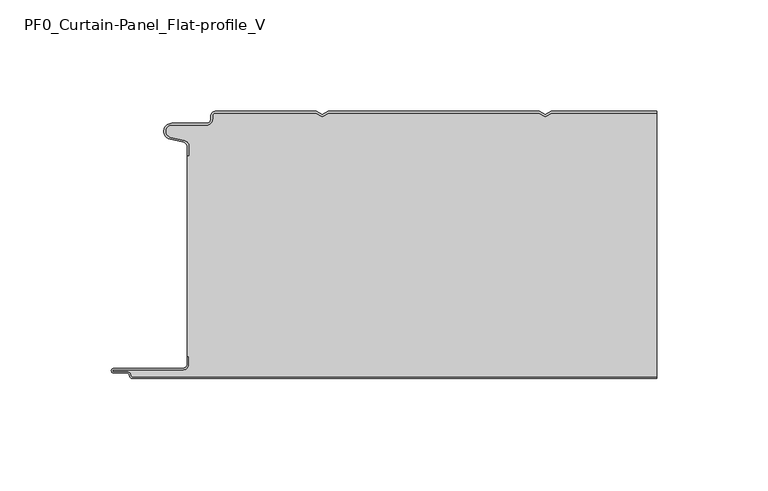
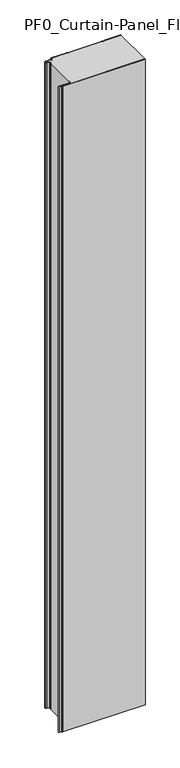
"""IFC4 building model written with IfcOpenShell, lengths in millimetres: plate geometry, PF0_Curtain-Panel_Flat-profile_V."""

from ifc_helpers import new_model, si_unit, point, frame_2d, origin, origin_with_axes, place, context, project, spatial, polyline, circle_curve, trimmed, segment, composite_curve, outline, extrude, source, transform, mapped, element, save


def pf0_curtain_panel_flat_profile_v_c9c8c4ae(model_context):
    return source(origin(), model_context, "Body", "SweptSolid", [
        extrude(outline(composite_curve([segment(trimmed(circle_curve(frame_2d((-102.0119739, -15.878557)), 2.0), [point((-100.0119739, -15.878557))], [point((-101.5620718, -13.9298169))], True, "CARTESIAN"), True, "CONTINUOUS"), segment(polyline([(-101.5620718, -13.9298169), (-107.7217978, -12.507732)]), True, "CONTINUOUS"), segment(trimmed(circle_curve(frame_2d((-106.9119739, -9.0)), 3.6), [point((-107.7217978, -12.507732))], [point((-106.9119739, -5.4))], False, "CARTESIAN"), True, "CONTINUOUS"), segment(polyline([(-106.9119739, -5.4), (-91.4119739, -5.4)]), True, "CONTINUOUS"), segment(trimmed(circle_curve(frame_2d((-91.4119739, -3.4)), 2.0), [point((-91.4119739, -5.4))], [point((-89.4119739, -3.4))], True, "CARTESIAN"), True, "CONTINUOUS"), segment(polyline([(-89.4119739, -3.4), (-89.4119739, -2.0)]), True, "CONTINUOUS"), segment(trimmed(circle_curve(frame_2d((-87.4119739, -2.0)), 2.0), [point((-89.4119739, -2.0))], [point((-87.4119739, 0.0))], False, "CARTESIAN"), True, "CONTINUOUS"), segment(polyline([(-87.4119739, 0.0), (-42.1119734, 0.0), (-39.4119739, -1.5588455), (-36.7119745, 0.0), (57.8880266, 0.0), (60.5880261, -1.5588455), (63.2880255, 0.0), (110.6119739, 0.0), (110.6119739, -0.8), (63.5023849, -0.8), (60.5880261, -2.482606), (57.6736672, -0.8), (-36.4976151, -0.8), (-39.4119739, -2.482606), (-42.3263328, -0.8), (-87.4119739, -0.8)]), True, "CONTINUOUS"), segment(trimmed(circle_curve(frame_2d((-87.4119739, -2.0)), 1.2), [point((-87.4119739, -0.8))], [point((-88.6119739, -2.0))], True, "CARTESIAN"), True, "CONTINUOUS"), segment(polyline([(-88.6119739, -2.0), (-88.6119739, -3.4)]), True, "CONTINUOUS"), segment(trimmed(circle_curve(frame_2d((-91.4119739, -3.4)), 2.8), [point((-88.6119739, -3.4))], [point((-91.4119739, -6.2))], False, "CARTESIAN"), True, "CONTINUOUS"), segment(polyline([(-91.4119739, -6.2), (-106.9119739, -6.2)]), True, "CONTINUOUS"), segment(trimmed(circle_curve(frame_2d((-106.9119739, -9.0)), 2.8), [point((-106.9119739, -6.2))], [point((-107.541837, -11.7282362))], True, "CARTESIAN"), True, "CONTINUOUS"), segment(polyline([(-107.541837, -11.7282362), (-101.3821109, -13.150321)]), True, "CONTINUOUS"), segment(trimmed(circle_curve(frame_2d((-102.0119739, -15.878557)), 2.8), [point((-101.3821109, -13.150321))], [point((-99.2119739, -15.878557))], False, "CARTESIAN"), True, "CONTINUOUS"), segment(polyline([(-99.2119739, -15.878557), (-99.2119739, -20.0), (-100.0119739, -20.0), (-100.0119739, -15.878557)]), True, "CONTINUOUS")], self_intersect=False)), origin_with_axes(), (0.0, 0.0, 1.0), 1945.7507136),
        extrude(outline(composite_curve([segment(polyline([(-99.2119739, -110.0), (-100.0119739, -110.0), (-100.0119739, -20.0), (-99.2119739, -20.0), (-99.2119739, -15.878557)]), True, "CONTINUOUS"), segment(trimmed(circle_curve(frame_2d((-102.0119739, -15.878557)), 2.8), [point((-99.2119739, -15.878557))], [point((-101.3821109, -13.1503208))], True, "CARTESIAN"), True, "CONTINUOUS"), segment(polyline([(-101.3821109, -13.1503208), (-107.5418369, -11.7282362)]), True, "CONTINUOUS"), segment(trimmed(circle_curve(frame_2d((-106.9119739, -9.0)), 2.8), [point((-107.5418369, -11.7282362))], [point((-106.9119739, -6.2))], False, "CARTESIAN"), True, "CONTINUOUS"), segment(polyline([(-106.9119739, -6.2), (-91.4119739, -6.2)]), True, "CONTINUOUS"), segment(trimmed(circle_curve(frame_2d((-91.4119739, -3.4)), 2.8), [point((-91.4119739, -6.2))], [point((-88.6119739, -3.4))], True, "CARTESIAN"), True, "CONTINUOUS"), segment(polyline([(-88.6119739, -3.4), (-88.6119739, -2.0)]), True, "CONTINUOUS"), segment(trimmed(circle_curve(frame_2d((-87.4119739, -2.0)), 1.2), [point((-88.6119739, -2.0))], [point((-87.4119739, -0.8))], False, "CARTESIAN"), True, "CONTINUOUS"), segment(polyline([(-87.4119739, -0.8), (-42.3263328, -0.8), (-39.4119739, -2.482606), (-36.4976151, -0.8), (57.6736672, -0.8), (60.5880261, -2.482606), (63.5023849, -0.8), (110.6119739, -0.8), (110.6119739, -119.2), (-124.4119739, -119.2)]), True, "CONTINUOUS"), segment(trimmed(circle_curve(frame_2d((-124.4119739, -118.4)), 0.8), [point((-124.4119739, -119.2))], [point((-125.2119739, -118.4))], False, "CARTESIAN"), True, "CONTINUOUS"), segment(trimmed(circle_curve(frame_2d((-126.9119739, -118.6133333)), 1.7133333), [point((-125.2119739, -118.4))], [point((-126.9119739, -116.9))], True, "CARTESIAN"), True, "CONTINUOUS"), segment(polyline([(-126.9119739, -116.9), (-132.8820051, -116.9)]), True, "CONTINUOUS"), segment(trimmed(circle_curve(frame_2d((-132.8820051, -116.6)), 0.3), [point((-132.8820051, -116.9))], [point((-132.8820051, -116.3))], False, "CARTESIAN"), True, "CONTINUOUS"), segment(polyline([(-132.8820051, -116.3), (-102.0119739, -116.3)]), True, "CONTINUOUS"), segment(trimmed(circle_curve(frame_2d((-102.0119739, -113.5)), 2.8), [point((-102.0119739, -116.3))], [point((-99.2119739, -113.5))], True, "CARTESIAN"), True, "CONTINUOUS"), segment(polyline([(-99.2119739, -113.5), (-99.2119739, -110.0)]), True, "CONTINUOUS")], self_intersect=False)), origin_with_axes(), (0.0, 0.0, 1.0), 1945.7507136),
        extrude(outline(composite_curve([segment(polyline([(-100.0119739, -110.0), (-99.2119739, -110.0), (-99.2119739, -113.5)]), True, "CONTINUOUS"), segment(trimmed(circle_curve(frame_2d((-102.0119739, -113.5)), 2.8), [point((-99.2119739, -113.5))], [point((-102.0119739, -116.3))], False, "CARTESIAN"), True, "CONTINUOUS"), segment(polyline([(-102.0119739, -116.3), (-132.8820051, -116.3)]), True, "CONTINUOUS"), segment(trimmed(circle_curve(frame_2d((-132.8820051, -116.6)), 0.3), [point((-132.8820051, -116.3))], [point((-132.8820051, -116.9))], True, "CARTESIAN"), True, "CONTINUOUS"), segment(polyline([(-132.8820051, -116.9), (-126.9119739, -116.9)]), True, "CONTINUOUS"), segment(trimmed(circle_curve(frame_2d((-126.9119739, -118.6133333)), 1.7133333), [point((-126.9119739, -116.9))], [point((-125.2119739, -118.4))], False, "CARTESIAN"), True, "CONTINUOUS"), segment(trimmed(circle_curve(frame_2d((-124.4119739, -118.4)), 0.8), [point((-125.2119739, -118.4))], [point((-124.4119739, -119.2))], True, "CARTESIAN"), True, "CONTINUOUS"), segment(polyline([(-124.4119739, -119.2), (110.6119739, -119.2), (110.6119739, -120.0), (-124.4119739, -120.0)]), True, "CONTINUOUS"), segment(trimmed(circle_curve(frame_2d((-124.4119739, -118.4)), 1.6), [point((-124.4119739, -120.0))], [point((-126.0119739, -118.4))], False, "CARTESIAN"), True, "CONTINUOUS"), segment(trimmed(circle_curve(frame_2d((-126.9119739, -118.4)), 0.9), [point((-126.0119739, -118.4))], [point((-126.9119739, -117.5))], True, "CARTESIAN"), True, "CONTINUOUS"), segment(polyline([(-126.9119739, -117.5), (-133.0119739, -117.5)]), True, "CONTINUOUS"), segment(trimmed(circle_curve(frame_2d((-133.0119739, -116.5)), 1.0), [point((-133.0119739, -117.5))], [point((-133.0119739, -115.5))], False, "CARTESIAN"), True, "CONTINUOUS"), segment(polyline([(-133.0119739, -115.5), (-102.0119739, -115.5)]), True, "CONTINUOUS"), segment(trimmed(circle_curve(frame_2d((-102.0119739, -113.5)), 2.0), [point((-102.0119739, -115.5))], [point((-100.0119739, -113.5))], True, "CARTESIAN"), True, "CONTINUOUS"), segment(polyline([(-100.0119739, -113.5), (-100.0119739, -110.0)]), True, "CONTINUOUS")], self_intersect=False)), origin_with_axes(), (0.0, 0.0, 1.0), 1945.7507136),
    ])


if __name__ == "__main__":
    model = new_model("IFC4")
    model_context = context("Model", 3, world=origin())
    ifc_project = project(units=[si_unit("LENGTHUNIT", "METRE", prefix="MILLI")], contexts=[model_context])
    site = spatial("IfcSite", under=ifc_project)
    building = spatial("IfcBuilding", under=site)
    placement = place(None, origin())
    pf0_curtain_panel_flat_profile_v_shape = pf0_curtain_panel_flat_profile_v_c9c8c4ae(model_context)
    element("IfcPlate", 1, ObjectType="PF0_Curtain-Panel_Flat-profile_V", at=placement, inside=building, context=model_context, shape_type="MappedRepresentation", body=[
        mapped(pf0_curtain_panel_flat_profile_v_shape, transform((0.0, 0.0, 0.0), x_axis=(1.0, 0.0, 0.0), y_axis=(0.0, 1.0, 0.0), z_axis=(0.0, 0.0, 1.0))),
    ])
    save(model, "model.ifc")
